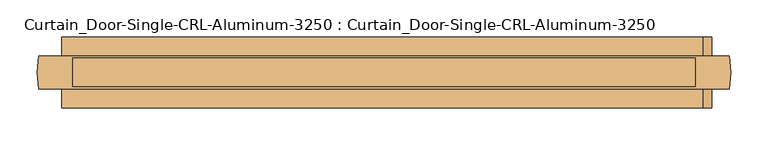
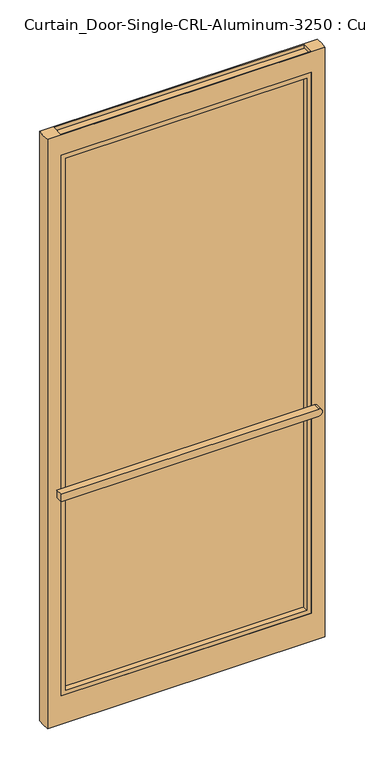
"""IFC4 building model written with IfcOpenShell, lengths in millimetres: door geometry, Curtain_Door-Single-CRL-Aluminum-3250 : Curtain_Door-Single-CRL-Aluminum-3250."""

from ifc_helpers import new_model, si_unit, point, frame, frame_2d, origin, place, context, project, spatial, polyline, circle_curve, trimmed, segment, composite_curve, outline, extrude, faceted_brep, source, transform, mapped, element, save
from ifc_brep_helpers import plane_surface, cylinder_surface, advanced_brep


def curtain_door_single_crl_aluminum_3250_curtain_door_single_2a824c3e(model_context):
    return source(origin(), model_context, "Body", "SolidModel", [
        advanced_brep(
        [(464.383448, -66.5757812, 12.7), (464.383448, -66.5757812, 2095.9220942), (-464.383448, -66.5757812, 2095.9220942), (-464.383448, -66.5757812, 12.7), (-418.5621194, -66.5757812, 2022.3636956), (418.5621194, -66.5757812, 2022.3636956), (418.5621194, -66.5757812, 111.6210938), (-418.5621194, -66.5757812, 111.6210938), (464.4391782, -22.1257812, 2095.9220942), (-464.4391782, -22.1257812, 2095.9220942), (-418.5621194, -63.5023697, 2095.9220942), (-418.5621194, -25.1991934, 2095.9220942), (418.5621194, -25.1991934, 2095.9220942), (418.5621194, -63.5023697, 2095.9220942), (418.5621194, -63.5023697, 2083.2220942), (-418.5621194, -63.5023697, 2083.2220942), (418.5621194, -25.1991934, 2083.2220942), (-418.5621194, -25.1991934, 2083.2220942), (464.4391782, -22.1257812, 12.7), (-464.4391782, -22.1257812, 12.7), (-418.5621194, -22.1257812, 2022.3636956), (-418.5621194, -22.1257812, 111.6210938), (418.5621194, -22.1257812, 111.6210938), (418.5621194, -22.1257812, 2022.3636956), (-418.5621194, -25.1991934, 12.7), (-418.5621194, -63.5023697, 12.7), (418.5621194, -63.5023697, 12.7), (418.5621194, -25.1991934, 12.7), (418.5621194, -25.1991934, 25.4), (-418.5621194, -25.1991934, 25.4), (418.5621194, -63.5023697, 25.4), (-418.5621194, -63.5023697, 25.4)],
        [
            (0, 1),
            (1, 2),
            (2, 3),
            (3, 0),
            (4, 5),
            (5, 6),
            (6, 7),
            (7, 4),
            (1, 8, circle_curve(frame((358.9334646, -44.2185359, 2095.9220942), z_axis=(0.0, 0.0, 1.0), x_axis=(1.0, 0.0, 0.0)), 107.7939952)),
            (8, 9),
            (9, 2, circle_curve(frame((-358.9334646, -44.2185359, 2095.9220942), z_axis=(0.0, 0.0, 1.0), x_axis=(1.0, 0.0, 0.0)), 107.7939952)),
            (10, 11),
            (11, 12),
            (12, 13),
            (13, 10),
            (13, 14),
            (14, 15),
            (15, 10),
            (14, 16),
            (16, 17),
            (17, 15),
            (16, 12),
            (11, 17),
            (8, 18),
            (18, 19),
            (19, 9),
            (20, 21),
            (21, 22),
            (22, 23),
            (23, 20),
            (18, 0, circle_curve(frame((358.9334646, -44.2185359, 12.7), z_axis=(0.0, 0.0, -1.0), x_axis=(1.0, 0.0, 0.0)), 107.7939952)),
            (3, 19, circle_curve(frame((-358.9334646, -44.2185359, 12.7), z_axis=(0.0, 0.0, -1.0), x_axis=(1.0, 0.0, 0.0)), 107.7939952)),
            (24, 25),
            (25, 26),
            (26, 27),
            (27, 24),
            (27, 28),
            (28, 29),
            (29, 24),
            (28, 30),
            (30, 31),
            (31, 29),
            (30, 26),
            (25, 31),
            (5, 23),
            (22, 6),
            (7, 21),
            (20, 4),
        ],
        [
            plane_surface(frame((-418.5621194, -66.5757812, 2022.3636956), z_axis=(0.0, -1.0, 0.0), x_axis=(1.0, 0.0, 0.0))),
            plane_surface(frame((-418.5621194, -66.5757812, 2095.9220942), z_axis=(0.0, 0.0, 1.0), x_axis=(1.0, 0.0, 0.0))),
            plane_surface(frame((-418.5621194, -63.5023697, 2095.9220942), z_axis=(0.0, 1.0, 0.0), x_axis=(1.0, 0.0, 0.0))),
            plane_surface(frame((-418.5621194, -63.5023697, 2083.2220942), z_axis=(0.0, 0.0, 1.0), x_axis=(1.0, 0.0, 0.0))),
            plane_surface(frame((-418.5621194, -25.1991934, 2083.2220942), z_axis=(0.0, -1.0, 0.0), x_axis=(1.0, 0.0, 0.0))),
            plane_surface(frame((-418.5621194, -22.1257812, 2095.9220942), z_axis=(0.0, 1.0, 0.0), x_axis=(1.0, 0.0, 0.0))),
            plane_surface(frame((-418.5621194, -22.1257812, 12.7), z_axis=(0.0, 0.0, -1.0), x_axis=(1.0, 0.0, 0.0))),
            plane_surface(frame((-418.5621194, -25.1991934, 12.7), z_axis=(0.0, -1.0, 0.0), x_axis=(1.0, 0.0, 0.0))),
            plane_surface(frame((-418.5621194, -25.1991934, 25.4), z_axis=(0.0, 0.0, -1.0), x_axis=(1.0, 0.0, 0.0))),
            plane_surface(frame((-418.5621194, -63.5023697, 25.4), z_axis=(0.0, 1.0, 0.0), x_axis=(1.0, 0.0, 0.0))),
            plane_surface(frame((418.5621194, -22.1257812, 2095.9220942), z_axis=(-1.0, 0.0, 0.0), x_axis=(0.0, 0.0, -1.0))),
            cylinder_surface(frame((358.9334646, -44.2185359, 12.7), z_axis=(0.0, 0.0, 1.0), x_axis=(1.0, 0.0, 0.0)), 107.7939952),
            cylinder_surface(frame((-358.9334646, -44.2185359, 0.0), z_axis=(0.0, 0.0, 1.0), x_axis=(1.0, 0.0, 0.0)), 107.7939952),
            plane_surface(frame((-418.5621194, -66.5757812, 2095.9220942), z_axis=(1.0, 0.0, 0.0), x_axis=(0.0, 0.0, -1.0))),
            plane_surface(frame((-418.5621194, -22.1257812, 2022.3636956), z_axis=(0.0, 0.0, -1.0), x_axis=(1.0, 0.0, 0.0))),
            plane_surface(frame((-418.5621194, -66.5757812, 111.6210938), z_axis=(0.0, 0.0, 1.0), x_axis=(1.0, 0.0, 0.0))),
        ],
        [
            (0, [[1, 2, 3, 4], [5, 6, 7, 8]]),
            (1, [[-2, 9, 10, 11], [12, 13, 14, 15]]),
            (2, [[-15, 16, 17, 18]]),
            (3, [[-17, 19, 20, 21]]),
            (4, [[-20, 22, -13, 23]]),
            (5, [[-10, 24, 25, 26], [27, 28, 29, 30]]),
            (6, [[-25, 31, -4, 32], [33, 34, 35, 36]]),
            (7, [[-36, 37, 38, 39]]),
            (8, [[-38, 40, 41, 42]]),
            (9, [[-41, 43, -34, 44]]),
            (10, [[-6, 45, -29, 46]]),
            (10, [[-14, -22, -19, -16]]),
            (10, [[-35, -43, -40, -37]]),
            (11, [[-9, -1, -31, -24]]),
            (12, [[-11, -26, -32, -3]]),
            (13, [[-8, 47, -27, 48]]),
            (13, [[-12, -18, -21, -23]]),
            (13, [[-33, -39, -42, -44]]),
            (14, [[-5, -48, -30, -45]]),
            (15, [[-7, -46, -28, -47]]),
        ],
    ),
        extrude(outline(polyline([(418.5621194, -41.9695312), (418.5621194, -46.7320312), (417.7683694, -47.5257812), (-417.7683694, -47.5257812), (-418.5621194, -46.7320312), (-418.5621194, -41.9695312), (-417.7683694, -41.1757812), (417.7683694, -41.1757812), (418.5621194, -41.9695312)])), frame((0.0, 0.0, 111.6583986), z_axis=(0.0, 0.0, 1.0), x_axis=(1.0, 0.0, 0.0)), (0.0, 0.0, 1.0), 1910.705297),
        extrude(outline(composite_curve([segment(polyline([(844.7610471, 428.6205181), (844.7610471, -433.7923712), (819.3610471, -433.7923712), (819.3610471, 428.6205181)]), True, "CONTINUOUS"), segment(trimmed(circle_curve(frame_2d((832.0610471, 428.6205181)), 12.7), [point((819.3610471, 428.6205181))], [point((844.7610471, 428.6205181))], False, "CARTESIAN"), True, "CONTINUOUS")], self_intersect=False)), frame((0.0, -22.1257812, 0.0), z_axis=(0.0, 1.0, 0.0), x_axis=(0.0, 0.0, 1.0)), (0.0, 0.0, 1.0), 25.4),
        extrude(outline(composite_curve([segment(polyline([(844.7610471, 428.6205181), (844.7610471, -433.7923712), (819.3610471, -433.7923712), (819.3610471, 428.6205181)]), True, "CONTINUOUS"), segment(trimmed(circle_curve(frame_2d((832.0610471, 428.6205181)), 12.7), [point((819.3610471, 428.6205181))], [point((844.7610471, 428.6205181))], False, "CARTESIAN"), True, "CONTINUOUS")], self_intersect=False)), frame((0.0, -91.9757812, 0.0), z_axis=(0.0, 1.0, 0.0), x_axis=(0.0, 0.0, 1.0)), (0.0, 0.0, 1.0), 25.4),
        faceted_brep([(403.2205181, -47.5257812, 127.0), (403.2205181, -66.5757813, 127.0), (403.2205181, -66.5757813, 2007.0220942), (403.2205181, -47.5257812, 2007.0220942), (410.5357193, -56.6792188, 119.6847988), (410.5357193, -47.5257812, 119.6847988), (410.5357193, -47.5257812, 2014.3372954), (410.5357193, -56.6792188, 2014.3372954), (404.6175179, -63.9690169, 125.6030002), (404.6175179, -56.6792188, 125.6030002), (404.6175179, -56.6792188, 2008.419094), (404.6175179, -63.9690169, 2008.419094), (415.9205173, -24.7325456, 114.3000008), (415.9205173, -63.9690169, 114.3000008), (415.9205173, -63.9690169, 2019.7220935), (415.9205173, -24.7325456, 2019.7220935), (404.6175179, -32.0223437, 125.6030002), (404.6175179, -24.7325456, 125.6030002), (404.6175179, -24.7325456, 2008.419094), (404.6175179, -32.0223437, 2008.419094), (410.5357193, -41.1757812, 119.6847988), (410.5357193, -32.0223437, 119.6847988), (410.5357193, -32.0223437, 2014.3372954), (410.5357193, -41.1757812, 2014.3372954), (403.2205181, -22.1257813, 127.0), (403.2205181, -41.1757812, 127.0), (403.2205181, -41.1757812, 2007.0220942), (403.2205181, -22.1257813, 2007.0220942), (-403.2205181, -66.5757813, 2007.0220942), (-403.2205181, -47.5257812, 2007.0220942), (-410.5357193, -47.5257812, 2014.3372954), (-410.5357193, -56.6792188, 2014.3372954), (-404.6175179, -56.6792188, 2008.419094), (-404.6175179, -63.9690169, 2008.419094), (-415.9205173, -63.9690169, 2019.7220935), (-415.9205173, -24.7325456, 2019.7220935), (-404.6175179, -24.7325456, 2008.419094), (-404.6175179, -32.0223437, 2008.419094), (-410.5357193, -32.0223437, 2014.3372954), (-410.5357193, -41.1757812, 2014.3372954), (-403.2205181, -41.1757812, 2007.0220942), (-403.2205181, -22.1257813, 2007.0220942), (-403.2205181, -66.5757813, 127.0), (-403.2205181, -47.5257812, 127.0), (-410.5357193, -47.5257812, 119.6847988), (-410.5357193, -56.6792188, 119.6847988), (-404.6175179, -56.6792188, 125.6030002), (-404.6175179, -63.9690169, 125.6030002), (-415.9205173, -63.9690169, 114.3000008), (-415.9205173, -24.7325456, 114.3000008), (-404.6175179, -24.7325456, 125.6030002), (-404.6175179, -32.0223437, 125.6030002), (-410.5357193, -32.0223437, 119.6847988), (-410.5357193, -41.1757812, 119.6847988), (-403.2205181, -41.1757812, 127.0), (-403.2205181, -22.1257813, 127.0), (418.5621194, -66.5757813, 111.6583986), (418.5621194, -22.1257813, 111.6583986), (418.5621194, -22.1257813, 2022.3636956), (418.5621194, -66.5757813, 2022.3636956), (-418.5621194, -22.1257813, 2022.3636956), (-418.5621194, -66.5757813, 2022.3636956), (-418.5621194, -22.1257813, 111.6583986), (-418.5621194, -66.5757813, 111.6583986)], [[[0, 1, 2, 3]], [[4, 5, 6, 7]], [[8, 9, 10, 11]], [[12, 13, 14, 15]], [[16, 17, 18, 19]], [[20, 21, 22, 23]], [[24, 25, 26, 27]], [[3, 2, 28, 29]], [[7, 6, 30, 31]], [[11, 10, 32, 33]], [[15, 14, 34, 35]], [[19, 18, 36, 37]], [[23, 22, 38, 39]], [[27, 26, 40, 41]], [[29, 28, 42, 43]], [[31, 30, 44, 45]], [[33, 32, 46, 47]], [[35, 34, 48, 49]], [[37, 36, 50, 51]], [[39, 38, 52, 53]], [[41, 40, 54, 55]], [[43, 42, 1, 0]], [[5, 44, 30, 6], [3, 29, 43, 0]], [[45, 44, 5, 4]], [[7, 31, 45, 4], [9, 46, 32, 10]], [[47, 46, 9, 8]], [[13, 48, 34, 14], [11, 33, 47, 8]], [[49, 48, 13, 12]], [[15, 35, 49, 12], [17, 50, 36, 18]], [[51, 50, 17, 16]], [[21, 52, 38, 22], [19, 37, 51, 16]], [[53, 52, 21, 20]], [[23, 39, 53, 20], [25, 54, 40, 26]], [[55, 54, 25, 24]], [[56, 57, 58, 59]], [[59, 58, 60, 61]], [[61, 60, 62, 63]], [[57, 62, 60, 58], [27, 41, 55, 24]], [[63, 62, 57, 56]], [[59, 61, 63, 56], [1, 42, 28, 2]]]),
    ])


if __name__ == "__main__":
    model = new_model("IFC4")
    model_context = context("Model", 3, world=origin())
    ifc_project = project(units=[si_unit("LENGTHUNIT", "METRE", prefix="MILLI")], contexts=[model_context])
    site = spatial("IfcSite", under=ifc_project)
    building = spatial("IfcBuilding", under=site)
    placement = place(None, origin())
    curtain_door_single_crl_aluminum_3250_curtain_door_single_shape = curtain_door_single_crl_aluminum_3250_curtain_door_single_2a824c3e(model_context)
    element("IfcDoor", 1, ObjectType="Curtain_Door-Single-CRL-Aluminum-3250 : Curtain_Door-Single-CRL-Aluminum-3250", at=placement, inside=building, context=model_context, shape_type="MappedRepresentation", body=[
        mapped(curtain_door_single_crl_aluminum_3250_curtain_door_single_shape, transform((0.0, 0.0, 0.0), x_axis=(1.0, 0.0, 0.0), y_axis=(0.0, 1.0, 0.0), z_axis=(0.0, 0.0, 1.0))),
    ])
    save(model, "model.ifc")
